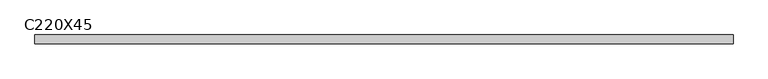
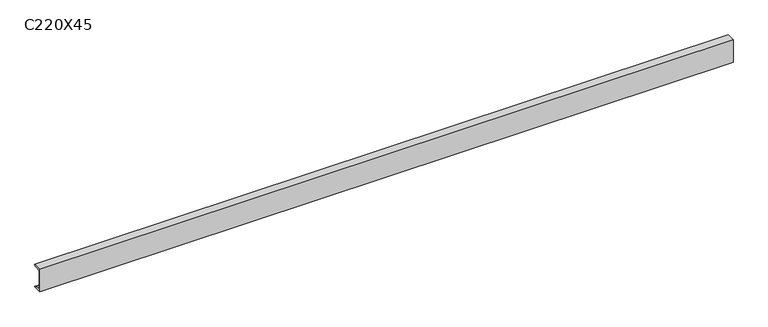
"""IFC4 building model written with IfcOpenShell, lengths in millimetres: beam geometry, C220X45."""

from ifc_helpers import new_model, si_unit, point, frame, frame_2d, origin, place, context, project, spatial, polyline, circle_curve, trimmed, segment, composite_curve, outline, extrude, source, transform, mapped, element, save


def c220x45_04ef08ff(model_context):
    return source(origin(), model_context, "Body", "SweptSolid", [
        extrude(outline(composite_curve([segment(polyline([(-17.0, 110.0), (64.0, 110.0)]), True, "CONTINUOUS"), segment(trimmed(circle_curve(frame_2d((51.0, 110.0)), 13.0), [point((64.0, 110.0))], [point((51.0, 97.0))], False, "CARTESIAN"), True, "CONTINUOUS"), segment(polyline([(51.0, 97.0), (-4.0, 88.2888558), (-4.0, -88.2888558), (51.0, -97.0)]), True, "CONTINUOUS"), segment(trimmed(circle_curve(frame_2d((51.0, -110.0)), 13.0), [point((51.0, -97.0))], [point((64.0, -110.0))], False, "CARTESIAN"), True, "CONTINUOUS"), segment(polyline([(64.0, -110.0), (-17.0, -110.0), (-17.0, 110.0)]), True, "CONTINUOUS")], self_intersect=False)), frame((-3232.0, 0.0, 0.0), z_axis=(1.0, 0.0, 0.0), x_axis=(0.0, 1.0, 0.0)), (0.0, 0.0, 1.0), 6464.0),
    ])


if __name__ == "__main__":
    model = new_model("IFC4")
    model_context = context("Model", 3, world=origin())
    ifc_project = project(units=[si_unit("LENGTHUNIT", "METRE", prefix="MILLI")], contexts=[model_context])
    site = spatial("IfcSite", under=ifc_project)
    building = spatial("IfcBuilding", under=site)
    placement = place(None, origin())
    c220x45_shape = c220x45_04ef08ff(model_context)
    element("IfcBeam", 1, ObjectType="C220X45", at=placement, inside=building, context=model_context, shape_type="MappedRepresentation", body=[
        mapped(c220x45_shape, transform((0.0, 0.0, 0.0), x_axis=(1.0, 0.0, 0.0), y_axis=(0.0, 1.0, 0.0), z_axis=(0.0, 0.0, 1.0))),
    ])
    save(model, "model.ifc")
